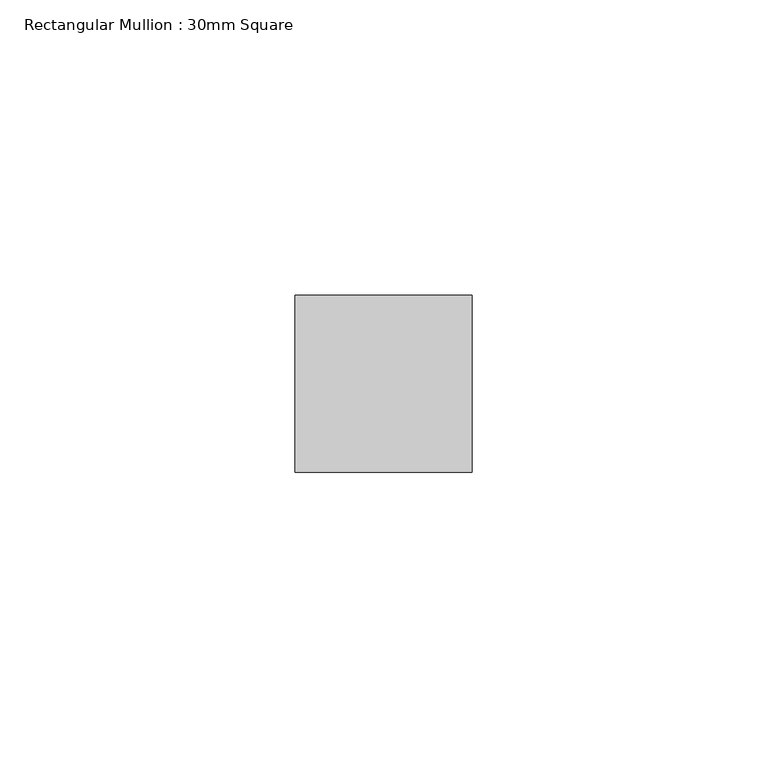
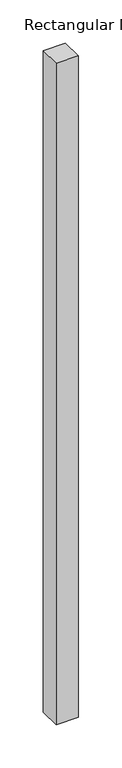
"""IFC4 building model written with IfcOpenShell, lengths in millimetres: member geometry, Rectangular Mullion : 30mm Square."""

from ifc_helpers import new_model, si_unit, frame, origin, place, context, project, spatial, polyline, outline, extrude, source, transform, mapped, element, save


def rectangular_mullion_30mm_square_80ca6ef5(model_context):
    return source(origin(), model_context, "Body", "SweptSolid", [
        extrude(outline(polyline([(0.0, 15.0), (0.0, -15.0), (-30.0, -15.0), (-30.0, 15.0), (0.0, 15.0)])), frame((0.0, 0.0, -936.9338703), z_axis=(0.0, 0.0, 1.0), x_axis=(1.0, 0.0, 0.0)), (0.0, 0.0, 1.0), 936.9338703),
    ])


if __name__ == "__main__":
    model = new_model("IFC4")
    model_context = context("Model", 3, world=origin())
    ifc_project = project(units=[si_unit("LENGTHUNIT", "METRE", prefix="MILLI")], contexts=[model_context])
    site = spatial("IfcSite", under=ifc_project)
    building = spatial("IfcBuilding", under=site)
    placement = place(None, origin())
    rectangular_mullion_30mm_square_shape = rectangular_mullion_30mm_square_80ca6ef5(model_context)
    element("IfcMember", 1, ObjectType="Rectangular Mullion : 30mm Square", at=placement, inside=building, context=model_context, shape_type="MappedRepresentation", body=[
        mapped(rectangular_mullion_30mm_square_shape, transform((0.0, 0.0, 0.0), x_axis=(1.0, 0.0, 0.0), y_axis=(0.0, 1.0, 0.0), z_axis=(0.0, 0.0, 1.0))),
    ])
    save(model, "model.ifc")
